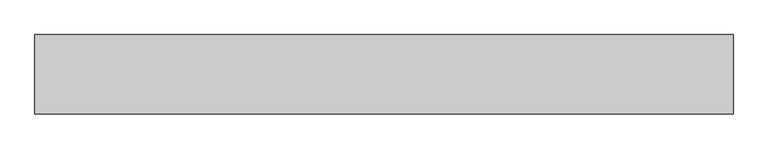
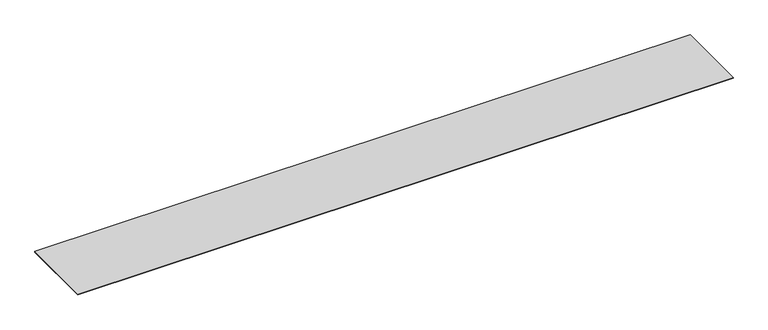
"""IFC4 building model written with IfcOpenShell, lengths in millimetres: proxy geometry."""

from ifc_helpers import new_model, si_unit, origin, origin_with_axes, place, context, project, spatial, polyline, outline, extrude, source, transform, mapped, element, save


def generic_models_fb486366(model_context):
    return source(origin(), model_context, "Body", "SweptSolid", [
        extrude(outline(polyline([(12333.3333333, 0.0), (12333.3333333, -1400.0), (0.0, -1400.0), (0.0, 0.0), (12333.3333333, 0.0)])), origin_with_axes(), (0.0, 0.0, 1.0), 15.0),
    ])


if __name__ == "__main__":
    model = new_model("IFC4")
    model_context = context("Model", 3, world=origin())
    ifc_project = project(units=[si_unit("LENGTHUNIT", "METRE", prefix="MILLI")], contexts=[model_context])
    site = spatial("IfcSite", under=ifc_project)
    building = spatial("IfcBuilding", under=site)
    placement = place(None, origin())
    generic_models_shape = generic_models_fb486366(model_context)
    element("IfcBuildingElementProxy", 1, Name="Generic Models", at=placement, inside=building, context=model_context, shape_type="MappedRepresentation", body=[
        mapped(generic_models_shape, transform((0.0, 0.0, 0.0), x_axis=(1.0, 0.0, 0.0), y_axis=(0.0, 1.0, 0.0), z_axis=(0.0, 0.0, 1.0))),
    ])
    save(model, "model.ifc")
